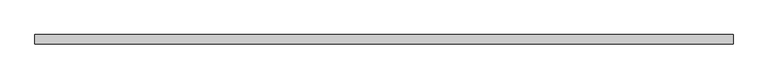
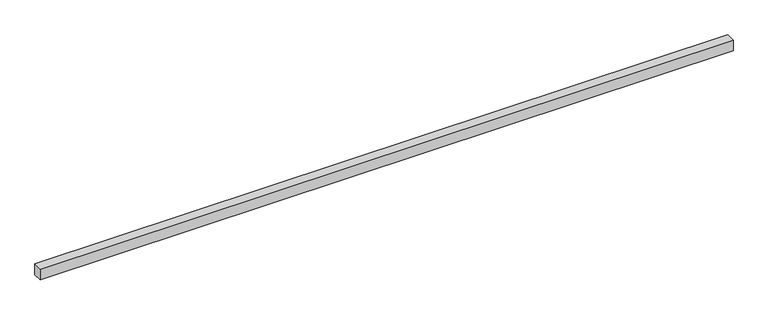
"""IFC4 building model written with IfcOpenShell, lengths in millimetres: proxy geometry."""

import ifcopenshell
import ifcopenshell.guid

model = None  # the IFC model being written
_history = None  # IfcOwnerHistory: only IFC2X3 demands one
_inside = {}  # id of a spatial element -> (the spatial element, [elements in it])
_under = {}  # id of a project, library or spatial element -> (it, [spatial elements below it])
_declared = {}  # id of a project -> (the project, [libraries it declares])
_typed = {}  # id of a type object -> (the type object, [elements of that type])
_made_of = {}  # id of a material, layer set ... -> (it, [elements and type objects made of it])


def new_model(schema):
    """Start an empty IFC model of exactly this schema.

    Asked for "IFC4X3", IfcOpenShell would pick the latest addendum, in which some entities
    have other attributes; the version numbers below select the first issue.
    IFC2X3 requires an IfcOwnerHistory on every rooted entity: one is made here for all.
    """
    global model, _history
    if schema == "IFC4X3":
        model = ifcopenshell.file(schema_version=(4, 3, 0, 0))
    else:
        model = ifcopenshell.file(schema=schema)
    _inside.clear()
    _under.clear()
    _declared.clear()
    _typed.clear()
    _made_of.clear()
    _history = None
    if model.schema == "IFC2X3":
        org = make("IfcOrganization", Name="unknown")
        user = make(
            "IfcPersonAndOrganization",
            ThePerson=make("IfcPerson", FamilyName="unknown"),
            TheOrganization=org,
        )
        app = make(
            "IfcApplication",
            ApplicationDeveloper=org,
            Version="unknown",
            ApplicationFullName="unknown",
            ApplicationIdentifier="unknown",
        )
        _history = make(
            "IfcOwnerHistory",
            OwningUser=user,
            OwningApplication=app,
            ChangeAction="ADDED",
            CreationDate=0,
        )
    return model


def make(cls, **values):
    """One entity of the class cls with the attributes given. An attribute that is None is left unset."""
    return model.create_entity(
        cls, **{name: value for name, value in values.items() if value is not None}
    )


def rooted(cls, **values):
    """An entity with a GlobalId (a new one), such as an element, a storey or a relation."""
    return make(cls, GlobalId=ifcopenshell.guid.new(), OwnerHistory=_history, **values)


def si_unit(unit_type, name, prefix=None):
    """IfcSIUnit, for example si_unit("LENGTHUNIT", "METRE", prefix="MILLI")."""
    return make("IfcSIUnit", UnitType=unit_type, Prefix=prefix, Name=name)


def assignment(units):
    """IfcUnitAssignment: the units of a project."""
    return None if units is None else make("IfcUnitAssignment", Units=units)


def point(xyz):
    """IfcCartesianPoint."""
    return None if xyz is None else make("IfcCartesianPoint", Coordinates=xyz)


def direction(xyz):
    """IfcDirection."""
    return None if xyz is None else make("IfcDirection", DirectionRatios=xyz)


def frame(location, z_axis=None, x_axis=None):
    """IfcAxis2Placement3D, a coordinate frame: its origin and axes. An axis left out is left unset."""
    return make(
        "IfcAxis2Placement3D",
        Location=point(location),
        Axis=direction(z_axis),
        RefDirection=direction(x_axis),
    )


def origin():
    """The frame at (0, 0, 0) with its axes left unset."""
    return frame((0.0, 0.0, 0.0))


def place(relative_to, where):
    """IfcLocalPlacement: puts the frame where relative to a parent placement (None: the world)."""
    return make(
        "IfcLocalPlacement", PlacementRelTo=relative_to, RelativePlacement=where
    )


def context(
    kind, dimensions, precision=None, world=None, true_north=None, identifier=None
):
    """IfcGeometricRepresentationContext, for example the 3D "Model" context."""
    return make(
        "IfcGeometricRepresentationContext",
        ContextIdentifier=identifier,
        ContextType=kind,
        CoordinateSpaceDimension=dimensions,
        Precision=precision,
        WorldCoordinateSystem=world,
        TrueNorth=true_north,
    )


def project(units=None, contexts=None):
    """IfcProject with its units and contexts."""
    return rooted(
        "IfcProject",
        Name="project",
        RepresentationContexts=contexts,
        UnitsInContext=assignment(units),
    )


def spatial(cls, under=None, at=None, **own):
    """A site, building, storey or space (cls), placed at a placement, below another one or the project."""
    s = rooted(cls, ObjectPlacement=at, **own)
    if under is not None:
        _under.setdefault(under.id(), (under, []))[1].append(s)
    return s


def polyline(points):
    """IfcPolyline through the points."""
    return make("IfcPolyline", Points=[point(p) for p in points])


def outline(outer, holes=None, kind="AREA"):
    """IfcArbitraryClosedProfileDef: a profile drawn as a closed curve; with holes, ...WithVoids."""
    if holes is None:
        return make("IfcArbitraryClosedProfileDef", ProfileType=kind, OuterCurve=outer)
    return make(
        "IfcArbitraryProfileDefWithVoids",
        ProfileType=kind,
        OuterCurve=outer,
        InnerCurves=holes,
    )


def extrude(swept, where, along, depth):
    """IfcExtrudedAreaSolid: the profile swept, set in the frame where, extruded along a direction by depth."""
    return make(
        "IfcExtrudedAreaSolid",
        SweptArea=swept,
        Position=where,
        ExtrudedDirection=direction(along),
        Depth=depth,
    )


def shape(context_of_items, identifier, shape_type, items):
    """IfcShapeRepresentation: the items that make up one representation, for example the "Body"."""
    return make(
        "IfcShapeRepresentation",
        ContextOfItems=context_of_items,
        RepresentationIdentifier=identifier,
        RepresentationType=shape_type,
        Items=items,
    )


def source(mapping_origin, context_of_items, identifier, shape_type, items):
    """IfcRepresentationMap: a shape defined once, which mapped items show again and again."""
    return make(
        "IfcRepresentationMap",
        MappingOrigin=mapping_origin,
        MappedRepresentation=shape(context_of_items, identifier, shape_type, items),
    )


def transform(
    local_origin,
    x_axis=None,
    y_axis=None,
    z_axis=None,
    scale=None,
    scale2=None,
    scale3=None,
    uniform=True,
):
    """IfcCartesianTransformationOperator3D, or its non-uniform kind. x_axis, y_axis, z_axis: its Axis1, 2, 3."""
    if uniform:
        return make(
            "IfcCartesianTransformationOperator3D",
            Axis1=direction(x_axis),
            Axis2=direction(y_axis),
            LocalOrigin=point(local_origin),
            Scale=scale,
            Axis3=direction(z_axis),
        )
    return make(
        "IfcCartesianTransformationOperator3DnonUniform",
        Axis1=direction(x_axis),
        Axis2=direction(y_axis),
        LocalOrigin=point(local_origin),
        Scale=scale,
        Axis3=direction(z_axis),
        Scale2=scale2,
        Scale3=scale3,
    )


def mapped(mapping_source, mapping_target):
    """IfcMappedItem: shows the shape of a source again, moved by a transform."""
    return make(
        "IfcMappedItem", MappingSource=mapping_source, MappingTarget=mapping_target
    )


def made_of(thing, what):
    """Note that an element or type object is made of a material, layer set ...; save() writes the relation."""
    if what is not None:
        _made_of.setdefault(what.id(), (what, []))[1].append(thing)
    return thing


def element(
    cls,
    number,
    at=None,
    inside=None,
    cuts=None,
    type_object=None,
    material=None,
    context=None,
    identifier="Body",
    shape_type=None,
    held_by="IfcProductDefinitionShape",
    body=None,
    shapes=None,
    **own,
):
    """One element of the class cls, such as IfcWall. Its Tag is "e" and its number.

    at: its placement. inside: the storey or other place that contains it. cuts: it is an
    opening in that element (IfcRelVoidsElement). A single representation is given by context,
    identifier, shape_type and body (its items); several are given by shapes. held_by: the class
    of the entity that holds the representations. save() writes the other relations.
    """
    e = rooted(cls, Tag="e%d" % number, ObjectPlacement=at, **own)
    if body is not None:
        shapes = [shape(context, identifier, shape_type, body)]
    if shapes is not None:
        e.Representation = make(held_by, Representations=shapes)
    if inside is not None:
        _inside.setdefault(inside.id(), (inside, []))[1].append(e)
    if cuts is not None:
        rooted(
            "IfcRelVoidsElement", RelatingBuildingElement=cuts, RelatedOpeningElement=e
        )
    if type_object is not None:
        _typed.setdefault(type_object.id(), (type_object, []))[1].append(e)
    return made_of(e, material)


def aggregate(whole, parts):
    """IfcRelAggregates: a whole, such as a stair, and the parts it consists of."""
    return rooted("IfcRelAggregates", RelatingObject=whole, RelatedObjects=parts)


def save(model, path):
    """Write the relations noted so far, then the file.

    IfcRelAggregates (storeys below a building ...), IfcRelContainedInSpatialStructure (elements
    in a storey), IfcRelDefinesByType, IfcRelAssociatesMaterial and IfcRelDeclares: one each for
    every whole, place, type object, material and project.
    """
    for whole, parts in _under.values():
        aggregate(whole, parts)
    for where, things in _inside.values():
        rooted(
            "IfcRelContainedInSpatialStructure",
            RelatedElements=things,
            RelatingStructure=where,
        )
    for kind, things in _typed.values():
        rooted("IfcRelDefinesByType", RelatedObjects=things, RelatingType=kind)
    for what, things in _made_of.values():
        rooted("IfcRelAssociatesMaterial", RelatedObjects=things, RelatingMaterial=what)
    for by, libraries in _declared.values():
        rooted("IfcRelDeclares", RelatingContext=by, RelatedDefinitions=libraries)
    model.write(path)


def generic_models_a10fe3b4(model_context):
    return source(origin(), model_context, "Body", "SweptSolid", [
        extrude(outline(polyline([(40.0, 0.0), (-40.0, 0.0), (-40.0, 6080.0), (40.0, 6080.0), (40.0, 0.0)])), frame((6080.0, 0.0, 0.0), z_axis=(0.0, -1.9783474858313244e-12, 1.0), x_axis=(0.0, 1.0, 1.9783474858313244e-12)), (0.0, 0.0, 1.0), 100.0),
    ])


if __name__ == "__main__":
    model = new_model("IFC4")
    model_context = context("Model", 3, world=origin())
    ifc_project = project(units=[si_unit("LENGTHUNIT", "METRE", prefix="MILLI")], contexts=[model_context])
    site = spatial("IfcSite", under=ifc_project)
    building = spatial("IfcBuilding", under=site)
    placement = place(None, origin())
    generic_models_shape = generic_models_a10fe3b4(model_context)
    element("IfcBuildingElementProxy", 1, Name="Generic Models", at=placement, inside=building, context=model_context, shape_type="MappedRepresentation", body=[
        mapped(generic_models_shape, transform((0.0, 0.0, 0.0), x_axis=(1.0, 0.0, 0.0), y_axis=(0.0, 1.0, 0.0), z_axis=(0.0, 0.0, 1.0))),
    ])
    save(model, "model.ifc")
